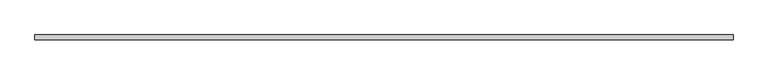
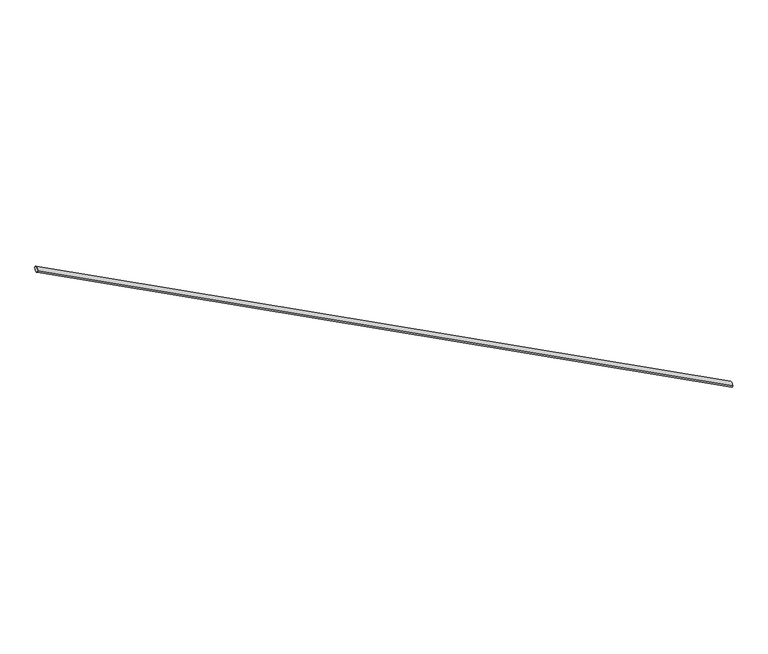
"""IFC4 building model written with IfcOpenShell, lengths in millimetres: railing geometry."""

import ifcopenshell
import ifcopenshell.guid

model = None  # the IFC model being written
_history = None  # IfcOwnerHistory: only IFC2X3 demands one
_inside = {}  # id of a spatial element -> (the spatial element, [elements in it])
_under = {}  # id of a project, library or spatial element -> (it, [spatial elements below it])
_declared = {}  # id of a project -> (the project, [libraries it declares])
_typed = {}  # id of a type object -> (the type object, [elements of that type])
_made_of = {}  # id of a material, layer set ... -> (it, [elements and type objects made of it])


def new_model(schema):
    """Start an empty IFC model of exactly this schema.

    Asked for "IFC4X3", IfcOpenShell would pick the latest addendum, in which some entities
    have other attributes; the version numbers below select the first issue.
    IFC2X3 requires an IfcOwnerHistory on every rooted entity: one is made here for all.
    """
    global model, _history
    if schema == "IFC4X3":
        model = ifcopenshell.file(schema_version=(4, 3, 0, 0))
    else:
        model = ifcopenshell.file(schema=schema)
    _inside.clear()
    _under.clear()
    _declared.clear()
    _typed.clear()
    _made_of.clear()
    _history = None
    if model.schema == "IFC2X3":
        org = make("IfcOrganization", Name="unknown")
        user = make(
            "IfcPersonAndOrganization",
            ThePerson=make("IfcPerson", FamilyName="unknown"),
            TheOrganization=org,
        )
        app = make(
            "IfcApplication",
            ApplicationDeveloper=org,
            Version="unknown",
            ApplicationFullName="unknown",
            ApplicationIdentifier="unknown",
        )
        _history = make(
            "IfcOwnerHistory",
            OwningUser=user,
            OwningApplication=app,
            ChangeAction="ADDED",
            CreationDate=0,
        )
    return model


def make(cls, **values):
    """One entity of the class cls with the attributes given. An attribute that is None is left unset."""
    return model.create_entity(
        cls, **{name: value for name, value in values.items() if value is not None}
    )


def rooted(cls, **values):
    """An entity with a GlobalId (a new one), such as an element, a storey or a relation."""
    return make(cls, GlobalId=ifcopenshell.guid.new(), OwnerHistory=_history, **values)


def si_unit(unit_type, name, prefix=None):
    """IfcSIUnit, for example si_unit("LENGTHUNIT", "METRE", prefix="MILLI")."""
    return make("IfcSIUnit", UnitType=unit_type, Prefix=prefix, Name=name)


def assignment(units):
    """IfcUnitAssignment: the units of a project."""
    return None if units is None else make("IfcUnitAssignment", Units=units)


def point(xyz):
    """IfcCartesianPoint."""
    return None if xyz is None else make("IfcCartesianPoint", Coordinates=xyz)


def direction(xyz):
    """IfcDirection."""
    return None if xyz is None else make("IfcDirection", DirectionRatios=xyz)


def frame(location, z_axis=None, x_axis=None):
    """IfcAxis2Placement3D, a coordinate frame: its origin and axes. An axis left out is left unset."""
    return make(
        "IfcAxis2Placement3D",
        Location=point(location),
        Axis=direction(z_axis),
        RefDirection=direction(x_axis),
    )


def origin():
    """The frame at (0, 0, 0) with its axes left unset."""
    return frame((0.0, 0.0, 0.0))


def place(relative_to, where):
    """IfcLocalPlacement: puts the frame where relative to a parent placement (None: the world)."""
    return make(
        "IfcLocalPlacement", PlacementRelTo=relative_to, RelativePlacement=where
    )


def context(
    kind, dimensions, precision=None, world=None, true_north=None, identifier=None
):
    """IfcGeometricRepresentationContext, for example the 3D "Model" context."""
    return make(
        "IfcGeometricRepresentationContext",
        ContextIdentifier=identifier,
        ContextType=kind,
        CoordinateSpaceDimension=dimensions,
        Precision=precision,
        WorldCoordinateSystem=world,
        TrueNorth=true_north,
    )


def project(units=None, contexts=None):
    """IfcProject with its units and contexts."""
    return rooted(
        "IfcProject",
        Name="project",
        RepresentationContexts=contexts,
        UnitsInContext=assignment(units),
    )


def spatial(cls, under=None, at=None, **own):
    """A site, building, storey or space (cls), placed at a placement, below another one or the project."""
    s = rooted(cls, ObjectPlacement=at, **own)
    if under is not None:
        _under.setdefault(under.id(), (under, []))[1].append(s)
    return s


def ellipse_curve(where, semi_axis1, semi_axis2):
    """IfcEllipse in the frame where."""
    return make(
        "IfcEllipse", Position=where, SemiAxis1=semi_axis1, SemiAxis2=semi_axis2
    )


def shape(context_of_items, identifier, shape_type, items):
    """IfcShapeRepresentation: the items that make up one representation, for example the "Body"."""
    return make(
        "IfcShapeRepresentation",
        ContextOfItems=context_of_items,
        RepresentationIdentifier=identifier,
        RepresentationType=shape_type,
        Items=items,
    )


def source(mapping_origin, context_of_items, identifier, shape_type, items):
    """IfcRepresentationMap: a shape defined once, which mapped items show again and again."""
    return make(
        "IfcRepresentationMap",
        MappingOrigin=mapping_origin,
        MappedRepresentation=shape(context_of_items, identifier, shape_type, items),
    )


def transform(
    local_origin,
    x_axis=None,
    y_axis=None,
    z_axis=None,
    scale=None,
    scale2=None,
    scale3=None,
    uniform=True,
):
    """IfcCartesianTransformationOperator3D, or its non-uniform kind. x_axis, y_axis, z_axis: its Axis1, 2, 3."""
    if uniform:
        return make(
            "IfcCartesianTransformationOperator3D",
            Axis1=direction(x_axis),
            Axis2=direction(y_axis),
            LocalOrigin=point(local_origin),
            Scale=scale,
            Axis3=direction(z_axis),
        )
    return make(
        "IfcCartesianTransformationOperator3DnonUniform",
        Axis1=direction(x_axis),
        Axis2=direction(y_axis),
        LocalOrigin=point(local_origin),
        Scale=scale,
        Axis3=direction(z_axis),
        Scale2=scale2,
        Scale3=scale3,
    )


def mapped(mapping_source, mapping_target):
    """IfcMappedItem: shows the shape of a source again, moved by a transform."""
    return make(
        "IfcMappedItem", MappingSource=mapping_source, MappingTarget=mapping_target
    )


def made_of(thing, what):
    """Note that an element or type object is made of a material, layer set ...; save() writes the relation."""
    if what is not None:
        _made_of.setdefault(what.id(), (what, []))[1].append(thing)
    return thing


def element(
    cls,
    number,
    at=None,
    inside=None,
    cuts=None,
    type_object=None,
    material=None,
    context=None,
    identifier="Body",
    shape_type=None,
    held_by="IfcProductDefinitionShape",
    body=None,
    shapes=None,
    **own,
):
    """One element of the class cls, such as IfcWall. Its Tag is "e" and its number.

    at: its placement. inside: the storey or other place that contains it. cuts: it is an
    opening in that element (IfcRelVoidsElement). A single representation is given by context,
    identifier, shape_type and body (its items); several are given by shapes. held_by: the class
    of the entity that holds the representations. save() writes the other relations.
    """
    e = rooted(cls, Tag="e%d" % number, ObjectPlacement=at, **own)
    if body is not None:
        shapes = [shape(context, identifier, shape_type, body)]
    if shapes is not None:
        e.Representation = make(held_by, Representations=shapes)
    if inside is not None:
        _inside.setdefault(inside.id(), (inside, []))[1].append(e)
    if cuts is not None:
        rooted(
            "IfcRelVoidsElement", RelatingBuildingElement=cuts, RelatedOpeningElement=e
        )
    if type_object is not None:
        _typed.setdefault(type_object.id(), (type_object, []))[1].append(e)
    return made_of(e, material)


def aggregate(whole, parts):
    """IfcRelAggregates: a whole, such as a stair, and the parts it consists of."""
    return rooted("IfcRelAggregates", RelatingObject=whole, RelatedObjects=parts)


def save(model, path):
    """Write the relations noted so far, then the file.

    IfcRelAggregates (storeys below a building ...), IfcRelContainedInSpatialStructure (elements
    in a storey), IfcRelDefinesByType, IfcRelAssociatesMaterial and IfcRelDeclares: one each for
    every whole, place, type object, material and project.
    """
    for whole, parts in _under.values():
        aggregate(whole, parts)
    for where, things in _inside.values():
        rooted(
            "IfcRelContainedInSpatialStructure",
            RelatedElements=things,
            RelatingStructure=where,
        )
    for kind, things in _typed.values():
        rooted("IfcRelDefinesByType", RelatedObjects=things, RelatingType=kind)
    for what, things in _made_of.values():
        rooted("IfcRelAssociatesMaterial", RelatedObjects=things, RelatingMaterial=what)
    for by, libraries in _declared.values():
        rooted("IfcRelDeclares", RelatingContext=by, RelatedDefinitions=libraries)
    model.write(path)


def plane_surface(at):
    """IfcPlane: the flat surface through the origin of the frame at, square to its z axis."""
    return make("IfcPlane", Position=at)


def cylinder_surface(at, radius):
    """IfcCylindricalSurface: all points at the distance radius from the z axis of the frame at."""
    return make("IfcCylindricalSurface", Position=at, Radius=radius)


def advanced_brep(points, edges, surfaces, faces):
    """IfcAdvancedBrep: a solid bounded by faces that lie on surfaces and meet in shared edges.

    An edge is (start, end): straight between two places in points (the first is 0);
    or (start, end, curve); or (start, end, curve, False) where it runs against its curve.
    A face is (place in surfaces, loops), or (place, loops, False) where it looks against
    its surface's normal. A loop lists edges by number (the first is 1), with a minus sign
    where the edge is run from its end to its start. The first loop is the outer one.
    """
    corners = [point(p) for p in points]
    vertices = [make("IfcVertexPoint", VertexGeometry=c) for c in corners]
    made = []
    for start, end, *more in edges:
        made.append(
            make(
                "IfcEdgeCurve",
                EdgeStart=vertices[start],
                EdgeEnd=vertices[end],
                EdgeGeometry=more[0] if more else make("IfcPolyline", Points=[corners[start], corners[end]]),
                SameSense=more[1] if len(more) > 1 else True,
            )
        )
    hull = []
    for where, loops, *sense in faces:
        bounds = []
        for j, loop in enumerate(loops):
            ring = [make("IfcOrientedEdge", EdgeElement=made[abs(k) - 1], Orientation=k > 0) for k in loop]
            bounds.append(
                make(
                    "IfcFaceOuterBound" if j == 0 else "IfcFaceBound",
                    Bound=make("IfcEdgeLoop", EdgeList=ring),
                    Orientation=True,
                )
            )
        hull.append(make("IfcAdvancedFace", Bounds=bounds, FaceSurface=surfaces[where], SameSense=sense[0] if sense else True))
    return make("IfcAdvancedBrep", Outer=make("IfcClosedShell", CfsFaces=hull))


def railing_3a0e3958(model_context):
    return source(origin(), model_context, "Body", "AdvancedBrep", [
        advanced_brep(
        [(-58637.7961144, -36019.3557843, -9070.7949028), (-58637.7961144, -36059.3557843, -9070.7949028), (-64257.7961144, -36019.3557843, -6120.0), (-64257.7961144, -36059.3557843, -6120.0)],
        [
            (0, 1, ellipse_curve(frame((-58637.7961144, -36039.3557843, -9070.7949028), z_axis=(1.0, 0.0, 0.0), x_axis=(0.0, 0.0, -1.0)), 22.5892018, 20.0)),
            (1, 0, ellipse_curve(frame((-58637.7961144, -36039.3557843, -9070.7949028), z_axis=(1.0, 0.0, 0.0), x_axis=(0.0, 0.0, -1.0)), 22.5892018, 20.0)),
            (2, 3, ellipse_curve(frame((-64257.7961144, -36039.3557843, -6120.0), z_axis=(-1.0, 0.0, 0.0), x_axis=(0.0, 0.0, -1.0)), 22.5892018, 20.0)),
            (3, 2, ellipse_curve(frame((-64257.7961144, -36039.3557843, -6120.0), z_axis=(-1.0, 0.0, 0.0), x_axis=(0.0, 0.0, -1.0)), 22.5892018, 20.0)),
            (0, 2),
            (3, 1),
        ],
        [
            plane_surface(frame((-58637.7961144, -36039.3557843, -9070.7949028), z_axis=(1.0, 0.0, 0.0), x_axis=(0.0, -1.0, 0.0))),
            plane_surface(frame((-64257.7961144, -36039.3557843, -6120.0), z_axis=(-1.0, 0.0, 0.0), x_axis=(0.0, -1.0, 0.0))),
            cylinder_surface(frame((-58637.7961144, -36039.3557843, -9070.7949028), z_axis=(0.8853787812015653, 0.0, -0.4648703193343611), x_axis=(0.0, -1.0, 0.0)), 20.0),
        ],
        [
            (0, [[1, 2]]),
            (1, [[3, 4]]),
            (2, [[-1, 5, -4, 6]]),
            (2, [[-2, -6, -3, -5]]),
        ],
    ),
    ])


if __name__ == "__main__":
    model = new_model("IFC4")
    model_context = context("Model", 3, world=origin())
    ifc_project = project(units=[si_unit("LENGTHUNIT", "METRE", prefix="MILLI")], contexts=[model_context])
    site = spatial("IfcSite", under=ifc_project)
    building = spatial("IfcBuilding", under=site)
    placement = place(None, origin())
    railing_shape = railing_3a0e3958(model_context)
    element("IfcRailing", 1, at=placement, inside=building, context=model_context, shape_type="MappedRepresentation", body=[
        mapped(railing_shape, transform((0.0, 0.0, 0.0), x_axis=(1.0, 0.0, 0.0), y_axis=(0.0, 1.0, 0.0), z_axis=(0.0, 0.0, 1.0))),
    ])
    save(model, "model.ifc")
